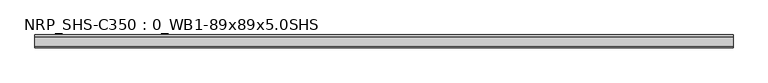
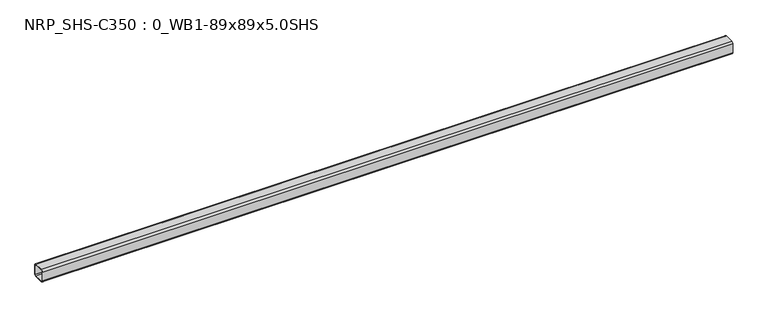
"""IFC4 building model written with IfcOpenShell, lengths in millimetres: member geometry, NRP_SHS-C350 : 0_WB1-89x89x5.0SHS."""

from ifc_helpers import new_model, si_unit, point, frame, frame_2d, origin, place, context, project, spatial, polyline, circle_curve, trimmed, segment, composite_curve, outline, extrude, source, transform, mapped, element, save


def nrp_shs_c350_0_wb1_89x89x5_0shs_6a69dcec(model_context):
    return source(origin(), model_context, "Body", "SweptSolid", [
        extrude(outline(composite_curve([segment(polyline([(44.5, 32.0), (44.5, -32.0)]), True, "CONTINUOUS"), segment(trimmed(circle_curve(frame_2d((32.0, -32.0)), 12.5), [point((44.5, -32.0))], [point((32.0, -44.5))], False, "CARTESIAN"), True, "CONTINUOUS"), segment(polyline([(32.0, -44.5), (-32.0, -44.5)]), True, "CONTINUOUS"), segment(trimmed(circle_curve(frame_2d((-32.0, -32.0)), 12.5), [point((-32.0, -44.5))], [point((-44.5, -32.0))], False, "CARTESIAN"), True, "CONTINUOUS"), segment(polyline([(-44.5, -32.0), (-44.5, 32.0)]), True, "CONTINUOUS"), segment(trimmed(circle_curve(frame_2d((-32.0, 32.0)), 12.5), [point((-44.5, 32.0))], [point((-32.0, 44.5))], False, "CARTESIAN"), True, "CONTINUOUS"), segment(polyline([(-32.0, 44.5), (32.0, 44.5)]), True, "CONTINUOUS"), segment(trimmed(circle_curve(frame_2d((32.0, 32.0)), 12.5), [point((32.0, 44.5))], [point((44.5, 32.0))], False, "CARTESIAN"), True, "CONTINUOUS")], self_intersect=False), holes=[composite_curve([segment(trimmed(circle_curve(frame_2d((-32.0, 32.0)), 7.5), [point((-32.0, 39.5))], [point((-39.5, 32.0))], True, "CARTESIAN"), True, "CONTINUOUS"), segment(polyline([(-39.5, 32.0), (-39.5, -32.0)]), True, "CONTINUOUS"), segment(trimmed(circle_curve(frame_2d((-32.0, -32.0)), 7.5), [point((-39.5, -32.0))], [point((-32.0, -39.5))], True, "CARTESIAN"), True, "CONTINUOUS"), segment(polyline([(-32.0, -39.5), (32.0, -39.5)]), True, "CONTINUOUS"), segment(trimmed(circle_curve(frame_2d((32.0, -32.0)), 7.5), [point((32.0, -39.5))], [point((39.5, -32.0))], True, "CARTESIAN"), True, "CONTINUOUS"), segment(polyline([(39.5, -32.0), (39.5, 32.0)]), True, "CONTINUOUS"), segment(trimmed(circle_curve(frame_2d((32.0, 32.0)), 7.5), [point((39.5, 32.0))], [point((32.0, 39.5))], True, "CARTESIAN"), True, "CONTINUOUS"), segment(polyline([(32.0, 39.5), (-32.0, 39.5)]), True, "CONTINUOUS")], self_intersect=False)]), frame((-2387.8082566, 0.0, 0.0), z_axis=(1.0, 0.0, 0.0), x_axis=(0.0, 1.0, 0.0)), (0.0, 0.0, 1.0), 4788.3042685),
    ])


if __name__ == "__main__":
    model = new_model("IFC4")
    model_context = context("Model", 3, world=origin())
    ifc_project = project(units=[si_unit("LENGTHUNIT", "METRE", prefix="MILLI")], contexts=[model_context])
    site = spatial("IfcSite", under=ifc_project)
    building = spatial("IfcBuilding", under=site)
    placement = place(None, origin())
    nrp_shs_c350_0_wb1_89x89x5_0shs_shape = nrp_shs_c350_0_wb1_89x89x5_0shs_6a69dcec(model_context)
    element("IfcMember", 1, ObjectType="NRP_SHS-C350 : 0_WB1-89x89x5.0SHS", at=placement, inside=building, context=model_context, shape_type="MappedRepresentation", body=[
        mapped(nrp_shs_c350_0_wb1_89x89x5_0shs_shape, transform((0.0, 0.0, 0.0), x_axis=(1.0, 0.0, 0.0), y_axis=(0.0, 1.0, 0.0), z_axis=(0.0, 0.0, 1.0))),
    ])
    save(model, "model.ifc")
